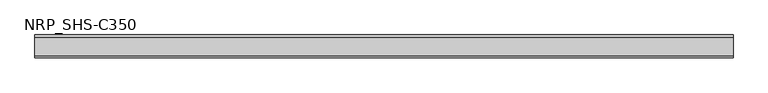
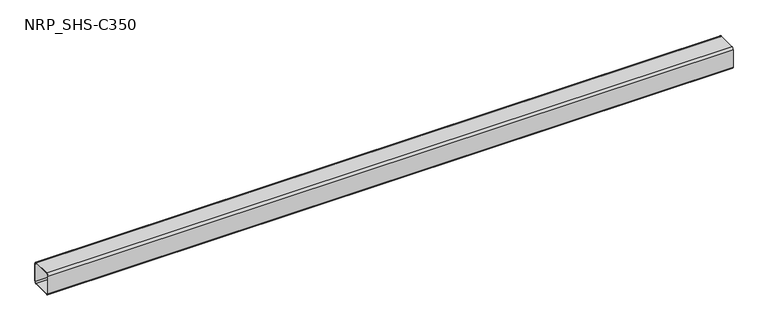
"""IFC4 building model written with IfcOpenShell, lengths in millimetres: member geometry, NRP_SHS-C350."""

import ifcopenshell
import ifcopenshell.guid

model = None  # the IFC model being written
_history = None  # IfcOwnerHistory: only IFC2X3 demands one
_inside = {}  # id of a spatial element -> (the spatial element, [elements in it])
_under = {}  # id of a project, library or spatial element -> (it, [spatial elements below it])
_declared = {}  # id of a project -> (the project, [libraries it declares])
_typed = {}  # id of a type object -> (the type object, [elements of that type])
_made_of = {}  # id of a material, layer set ... -> (it, [elements and type objects made of it])


def new_model(schema):
    """Start an empty IFC model of exactly this schema.

    Asked for "IFC4X3", IfcOpenShell would pick the latest addendum, in which some entities
    have other attributes; the version numbers below select the first issue.
    IFC2X3 requires an IfcOwnerHistory on every rooted entity: one is made here for all.
    """
    global model, _history
    if schema == "IFC4X3":
        model = ifcopenshell.file(schema_version=(4, 3, 0, 0))
    else:
        model = ifcopenshell.file(schema=schema)
    _inside.clear()
    _under.clear()
    _declared.clear()
    _typed.clear()
    _made_of.clear()
    _history = None
    if model.schema == "IFC2X3":
        org = make("IfcOrganization", Name="unknown")
        user = make(
            "IfcPersonAndOrganization",
            ThePerson=make("IfcPerson", FamilyName="unknown"),
            TheOrganization=org,
        )
        app = make(
            "IfcApplication",
            ApplicationDeveloper=org,
            Version="unknown",
            ApplicationFullName="unknown",
            ApplicationIdentifier="unknown",
        )
        _history = make(
            "IfcOwnerHistory",
            OwningUser=user,
            OwningApplication=app,
            ChangeAction="ADDED",
            CreationDate=0,
        )
    return model


def make(cls, **values):
    """One entity of the class cls with the attributes given. An attribute that is None is left unset."""
    return model.create_entity(
        cls, **{name: value for name, value in values.items() if value is not None}
    )


def rooted(cls, **values):
    """An entity with a GlobalId (a new one), such as an element, a storey or a relation."""
    return make(cls, GlobalId=ifcopenshell.guid.new(), OwnerHistory=_history, **values)


def si_unit(unit_type, name, prefix=None):
    """IfcSIUnit, for example si_unit("LENGTHUNIT", "METRE", prefix="MILLI")."""
    return make("IfcSIUnit", UnitType=unit_type, Prefix=prefix, Name=name)


def assignment(units):
    """IfcUnitAssignment: the units of a project."""
    return None if units is None else make("IfcUnitAssignment", Units=units)


def point(xyz):
    """IfcCartesianPoint."""
    return None if xyz is None else make("IfcCartesianPoint", Coordinates=xyz)


def direction(xyz):
    """IfcDirection."""
    return None if xyz is None else make("IfcDirection", DirectionRatios=xyz)


def frame(location, z_axis=None, x_axis=None):
    """IfcAxis2Placement3D, a coordinate frame: its origin and axes. An axis left out is left unset."""
    return make(
        "IfcAxis2Placement3D",
        Location=point(location),
        Axis=direction(z_axis),
        RefDirection=direction(x_axis),
    )


def frame_2d(location, x_axis=None):
    """IfcAxis2Placement2D, a coordinate frame in the plane: its origin and x axis."""
    return make(
        "IfcAxis2Placement2D", Location=point(location), RefDirection=direction(x_axis)
    )


def origin():
    """The frame at (0, 0, 0) with its axes left unset."""
    return frame((0.0, 0.0, 0.0))


def place(relative_to, where):
    """IfcLocalPlacement: puts the frame where relative to a parent placement (None: the world)."""
    return make(
        "IfcLocalPlacement", PlacementRelTo=relative_to, RelativePlacement=where
    )


def context(
    kind, dimensions, precision=None, world=None, true_north=None, identifier=None
):
    """IfcGeometricRepresentationContext, for example the 3D "Model" context."""
    return make(
        "IfcGeometricRepresentationContext",
        ContextIdentifier=identifier,
        ContextType=kind,
        CoordinateSpaceDimension=dimensions,
        Precision=precision,
        WorldCoordinateSystem=world,
        TrueNorth=true_north,
    )


def project(units=None, contexts=None):
    """IfcProject with its units and contexts."""
    return rooted(
        "IfcProject",
        Name="project",
        RepresentationContexts=contexts,
        UnitsInContext=assignment(units),
    )


def spatial(cls, under=None, at=None, **own):
    """A site, building, storey or space (cls), placed at a placement, below another one or the project."""
    s = rooted(cls, ObjectPlacement=at, **own)
    if under is not None:
        _under.setdefault(under.id(), (under, []))[1].append(s)
    return s


def polyline(points):
    """IfcPolyline through the points."""
    return make("IfcPolyline", Points=[point(p) for p in points])


def circle_curve(where, radius):
    """IfcCircle in the frame where."""
    return make("IfcCircle", Position=where, Radius=radius)


def trimmed(basis, trim1, trim2, sense, master):
    """IfcTrimmedCurve: the piece of a basis curve between two trims."""
    return make(
        "IfcTrimmedCurve",
        BasisCurve=basis,
        Trim1=trim1,
        Trim2=trim2,
        SenseAgreement=sense,
        MasterRepresentation=master,
    )


def segment(curve, same_sense, transition):
    """IfcCompositeCurveSegment."""
    return make(
        "IfcCompositeCurveSegment",
        Transition=transition,
        SameSense=same_sense,
        ParentCurve=curve,
    )


def composite_curve(segments, self_intersect=None):
    """IfcCompositeCurve: segments joined end to end."""
    return make("IfcCompositeCurve", Segments=segments, SelfIntersect=self_intersect)


def outline(outer, holes=None, kind="AREA"):
    """IfcArbitraryClosedProfileDef: a profile drawn as a closed curve; with holes, ...WithVoids."""
    if holes is None:
        return make("IfcArbitraryClosedProfileDef", ProfileType=kind, OuterCurve=outer)
    return make(
        "IfcArbitraryProfileDefWithVoids",
        ProfileType=kind,
        OuterCurve=outer,
        InnerCurves=holes,
    )


def extrude(swept, where, along, depth):
    """IfcExtrudedAreaSolid: the profile swept, set in the frame where, extruded along a direction by depth."""
    return make(
        "IfcExtrudedAreaSolid",
        SweptArea=swept,
        Position=where,
        ExtrudedDirection=direction(along),
        Depth=depth,
    )


def shape(context_of_items, identifier, shape_type, items):
    """IfcShapeRepresentation: the items that make up one representation, for example the "Body"."""
    return make(
        "IfcShapeRepresentation",
        ContextOfItems=context_of_items,
        RepresentationIdentifier=identifier,
        RepresentationType=shape_type,
        Items=items,
    )


def source(mapping_origin, context_of_items, identifier, shape_type, items):
    """IfcRepresentationMap: a shape defined once, which mapped items show again and again."""
    return make(
        "IfcRepresentationMap",
        MappingOrigin=mapping_origin,
        MappedRepresentation=shape(context_of_items, identifier, shape_type, items),
    )


def transform(
    local_origin,
    x_axis=None,
    y_axis=None,
    z_axis=None,
    scale=None,
    scale2=None,
    scale3=None,
    uniform=True,
):
    """IfcCartesianTransformationOperator3D, or its non-uniform kind. x_axis, y_axis, z_axis: its Axis1, 2, 3."""
    if uniform:
        return make(
            "IfcCartesianTransformationOperator3D",
            Axis1=direction(x_axis),
            Axis2=direction(y_axis),
            LocalOrigin=point(local_origin),
            Scale=scale,
            Axis3=direction(z_axis),
        )
    return make(
        "IfcCartesianTransformationOperator3DnonUniform",
        Axis1=direction(x_axis),
        Axis2=direction(y_axis),
        LocalOrigin=point(local_origin),
        Scale=scale,
        Axis3=direction(z_axis),
        Scale2=scale2,
        Scale3=scale3,
    )


def mapped(mapping_source, mapping_target):
    """IfcMappedItem: shows the shape of a source again, moved by a transform."""
    return make(
        "IfcMappedItem", MappingSource=mapping_source, MappingTarget=mapping_target
    )


def made_of(thing, what):
    """Note that an element or type object is made of a material, layer set ...; save() writes the relation."""
    if what is not None:
        _made_of.setdefault(what.id(), (what, []))[1].append(thing)
    return thing


def element(
    cls,
    number,
    at=None,
    inside=None,
    cuts=None,
    type_object=None,
    material=None,
    context=None,
    identifier="Body",
    shape_type=None,
    held_by="IfcProductDefinitionShape",
    body=None,
    shapes=None,
    **own,
):
    """One element of the class cls, such as IfcWall. Its Tag is "e" and its number.

    at: its placement. inside: the storey or other place that contains it. cuts: it is an
    opening in that element (IfcRelVoidsElement). A single representation is given by context,
    identifier, shape_type and body (its items); several are given by shapes. held_by: the class
    of the entity that holds the representations. save() writes the other relations.
    """
    e = rooted(cls, Tag="e%d" % number, ObjectPlacement=at, **own)
    if body is not None:
        shapes = [shape(context, identifier, shape_type, body)]
    if shapes is not None:
        e.Representation = make(held_by, Representations=shapes)
    if inside is not None:
        _inside.setdefault(inside.id(), (inside, []))[1].append(e)
    if cuts is not None:
        rooted(
            "IfcRelVoidsElement", RelatingBuildingElement=cuts, RelatedOpeningElement=e
        )
    if type_object is not None:
        _typed.setdefault(type_object.id(), (type_object, []))[1].append(e)
    return made_of(e, material)


def aggregate(whole, parts):
    """IfcRelAggregates: a whole, such as a stair, and the parts it consists of."""
    return rooted("IfcRelAggregates", RelatingObject=whole, RelatedObjects=parts)


def save(model, path):
    """Write the relations noted so far, then the file.

    IfcRelAggregates (storeys below a building ...), IfcRelContainedInSpatialStructure (elements
    in a storey), IfcRelDefinesByType, IfcRelAssociatesMaterial and IfcRelDeclares: one each for
    every whole, place, type object, material and project.
    """
    for whole, parts in _under.values():
        aggregate(whole, parts)
    for where, things in _inside.values():
        rooted(
            "IfcRelContainedInSpatialStructure",
            RelatedElements=things,
            RelatingStructure=where,
        )
    for kind, things in _typed.values():
        rooted("IfcRelDefinesByType", RelatedObjects=things, RelatingType=kind)
    for what, things in _made_of.values():
        rooted("IfcRelAssociatesMaterial", RelatedObjects=things, RelatingMaterial=what)
    for by, libraries in _declared.values():
        rooted("IfcRelDeclares", RelatingContext=by, RelatedDefinitions=libraries)
    model.write(path)


def nrp_shs_c350_88b46111(model_context):
    return source(origin(), model_context, "Body", "SweptSolid", [
        extrude(outline(composite_curve([segment(polyline([(44.5, 35.75), (44.5, -35.75)]), True, "CONTINUOUS"), segment(trimmed(circle_curve(frame_2d((35.75, -35.75)), 8.75), [point((44.5, -35.75))], [point((35.75, -44.5))], False, "CARTESIAN"), True, "CONTINUOUS"), segment(polyline([(35.75, -44.5), (-35.75, -44.5)]), True, "CONTINUOUS"), segment(trimmed(circle_curve(frame_2d((-35.75, -35.75)), 8.75), [point((-35.75, -44.5))], [point((-44.5, -35.75))], False, "CARTESIAN"), True, "CONTINUOUS"), segment(polyline([(-44.5, -35.75), (-44.5, 35.75)]), True, "CONTINUOUS"), segment(trimmed(circle_curve(frame_2d((-35.75, 35.75)), 8.75), [point((-44.5, 35.75))], [point((-35.75, 44.5))], False, "CARTESIAN"), True, "CONTINUOUS"), segment(polyline([(-35.75, 44.5), (35.75, 44.5)]), True, "CONTINUOUS"), segment(trimmed(circle_curve(frame_2d((35.75, 35.75)), 8.75), [point((35.75, 44.5))], [point((44.5, 35.75))], False, "CARTESIAN"), True, "CONTINUOUS")], self_intersect=False), holes=[composite_curve([segment(trimmed(circle_curve(frame_2d((-35.75, 35.75)), 5.25), [point((-35.75, 41.0))], [point((-41.0, 35.75))], True, "CARTESIAN"), True, "CONTINUOUS"), segment(polyline([(-41.0, 35.75), (-41.0, -35.75)]), True, "CONTINUOUS"), segment(trimmed(circle_curve(frame_2d((-35.75, -35.75)), 5.25), [point((-41.0, -35.75))], [point((-35.75, -41.0))], True, "CARTESIAN"), True, "CONTINUOUS"), segment(polyline([(-35.75, -41.0), (35.75, -41.0)]), True, "CONTINUOUS"), segment(trimmed(circle_curve(frame_2d((35.75, -35.75)), 5.25), [point((35.75, -41.0))], [point((41.0, -35.75))], True, "CARTESIAN"), True, "CONTINUOUS"), segment(polyline([(41.0, -35.75), (41.0, 35.75)]), True, "CONTINUOUS"), segment(trimmed(circle_curve(frame_2d((35.75, 35.75)), 5.25), [point((41.0, 35.75))], [point((35.75, 41.0))], True, "CARTESIAN"), True, "CONTINUOUS"), segment(polyline([(35.75, 41.0), (-35.75, 41.0)]), True, "CONTINUOUS")], self_intersect=False)]), frame((-1322.0, 0.0, 0.0), z_axis=(1.0, 0.0, 0.0), x_axis=(0.0, 1.0, 0.0)), (0.0, 0.0, 1.0), 2699.0),
    ])


if __name__ == "__main__":
    model = new_model("IFC4")
    model_context = context("Model", 3, world=origin())
    ifc_project = project(units=[si_unit("LENGTHUNIT", "METRE", prefix="MILLI")], contexts=[model_context])
    site = spatial("IfcSite", under=ifc_project)
    building = spatial("IfcBuilding", under=site)
    placement = place(None, origin())
    nrp_shs_c350_shape = nrp_shs_c350_88b46111(model_context)
    element("IfcMember", 1, ObjectType="NRP_SHS-C350", at=placement, inside=building, context=model_context, shape_type="MappedRepresentation", body=[
        mapped(nrp_shs_c350_shape, transform((0.0, 0.0, 0.0), x_axis=(1.0, 0.0, 0.0), y_axis=(0.0, 1.0, 0.0), z_axis=(0.0, 0.0, 1.0))),
    ])
    save(model, "model.ifc")
